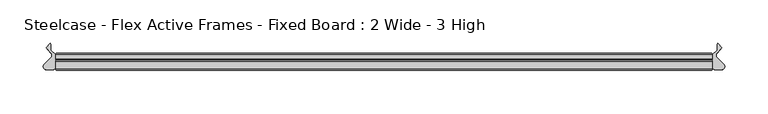
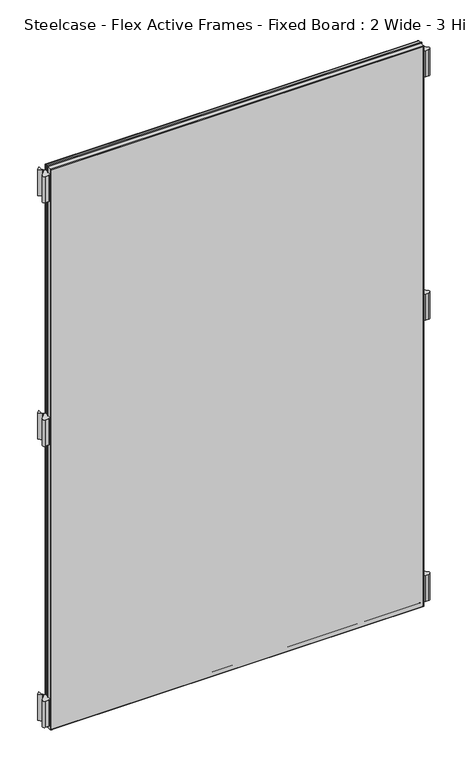
"""IFC4 building model written with IfcOpenShell, lengths in millimetres: furniture geometry, Steelcase - Flex Active Frames - Fixed Board : 2 Wide - 3 High."""

from ifc_helpers import new_model, si_unit, point, frame, frame_2d, origin, place, context, project, spatial, polyline, circle_curve, ellipse_curve, trimmed, segment, composite_curve, outline, extrude, source, transform, mapped, element, save
from ifc_brep_helpers import plane_surface, cylinder_surface, advanced_brep


def steelcase_flex_active_frames_fixed_board_2_wide_3_high_8049f52c(model_context):
    return source(origin(), model_context, "Body", "SolidModel", [
        extrude(outline(composite_curve([segment(trimmed(circle_curve(frame_2d((766.2196763, -15.2513959)), 3.81), [point((768.9118703, -12.5554375))], [point((766.2196713, -19.0613959))], False, "CARTESIAN"), True, "CONTINUOUS"), segment(polyline([(766.2196713, -19.0613959), (759.713995, -19.0613873)]), True, "CONTINUOUS"), segment(trimmed(circle_curve(frame_2d((759.714, -15.2513873)), 3.81), [point((759.713995, -19.0613873))], [point((755.904, -15.2513873))], False, "CARTESIAN"), True, "CONTINUOUS"), segment(polyline([(755.904, -15.2513873), (755.904, -2.0686095), (761.4063592, 3.4250486), (761.4063592, 10.299411), (762.1123238, 11.2027231), (767.0660919, 6.2470172), (761.3290632, 0.3149559)]), True, "CONTINUOUS"), segment(trimmed(circle_curve(frame_2d((764.0677853, -2.3337233)), 3.81), [point((761.3290632, 0.3149559))], [point((761.3755914, -5.0296817))], True, "CARTESIAN"), True, "CONTINUOUS"), segment(polyline([(761.3755914, -5.0296817), (768.9118703, -12.5554375)]), True, "CONTINUOUS")], self_intersect=False)), frame((0.0, 0.0, 611.4997871), z_axis=(0.0, 0.0, 1.0), x_axis=(1.0, 0.0, 0.0)), (0.0, 0.0, 1.0), 55.9983261),
        extrude(outline(composite_curve([segment(trimmed(circle_curve(frame_2d((766.2196763, -15.2513959)), 3.81), [point((768.9118703, -12.5554375))], [point((766.2196713, -19.0613959))], False, "CARTESIAN"), True, "CONTINUOUS"), segment(polyline([(766.2196713, -19.0613959), (759.713995, -19.0613873)]), True, "CONTINUOUS"), segment(trimmed(circle_curve(frame_2d((759.714, -15.2513873)), 3.81), [point((759.713995, -19.0613873))], [point((755.904, -15.2513873))], False, "CARTESIAN"), True, "CONTINUOUS"), segment(polyline([(755.904, -15.2513873), (755.904, -2.0686095), (761.4063592, 3.4250486), (761.4063592, 10.299411), (762.1123238, 11.2027231), (767.0660919, 6.2470172), (761.3290632, 0.3149559)]), True, "CONTINUOUS"), segment(trimmed(circle_curve(frame_2d((764.0677853, -2.3337233)), 3.81), [point((761.3290632, 0.3149559))], [point((761.3755914, -5.0296817))], True, "CARTESIAN"), True, "CONTINUOUS"), segment(polyline([(761.3755914, -5.0296817), (768.9118703, -12.5554375)]), True, "CONTINUOUS")], self_intersect=False)), frame((0.0, 0.0, 9.5000015), z_axis=(0.0, 0.0, 1.0), x_axis=(1.0, 0.0, 0.0)), (0.0, 0.0, 1.0), 55.9983261),
        extrude(outline(composite_curve([segment(trimmed(circle_curve(frame_2d((766.2196763, -15.2513959)), 3.81), [point((768.9118703, -12.5554375))], [point((766.2196713, -19.0613959))], False, "CARTESIAN"), True, "CONTINUOUS"), segment(polyline([(766.2196713, -19.0613959), (759.713995, -19.0613873)]), True, "CONTINUOUS"), segment(trimmed(circle_curve(frame_2d((759.714, -15.2513873)), 3.81), [point((759.713995, -19.0613873))], [point((755.904, -15.2513873))], False, "CARTESIAN"), True, "CONTINUOUS"), segment(polyline([(755.904, -15.2513873), (755.904, -2.0686095), (761.4063592, 3.4250486), (761.4063592, 10.299411), (762.1123238, 11.2027231), (767.0660919, 6.2470172), (761.3290632, 0.3149559)]), True, "CONTINUOUS"), segment(trimmed(circle_curve(frame_2d((764.0677853, -2.3337233)), 3.81), [point((761.3290632, 0.3149559))], [point((761.3755914, -5.0296817))], True, "CARTESIAN"), True, "CONTINUOUS"), segment(polyline([(761.3755914, -5.0296817), (768.9118703, -12.5554375)]), True, "CONTINUOUS")], self_intersect=False)), frame((0.0, 0.0, 1132.5016098), z_axis=(0.0, 0.0, 1.0), x_axis=(1.0, 0.0, 0.0)), (0.0, 0.0, 1.0), 55.9983261),
        extrude(outline(composite_curve([segment(polyline([(-13.0078703, -12.5554375), (-5.4715914, -5.0296817)]), True, "CONTINUOUS"), segment(trimmed(circle_curve(frame_2d((-8.1637853, -2.3337233)), 3.81), [point((-5.4715914, -5.0296817))], [point((-5.4250632, 0.3149559))], True, "CARTESIAN"), True, "CONTINUOUS"), segment(polyline([(-5.4250632, 0.3149559), (-11.1620919, 6.2470172), (-6.2083238, 11.2027231), (-5.5023592, 10.299411), (-5.5023592, 3.4250486), (0.0, -2.0686095), (0.0, -15.2513873)]), True, "CONTINUOUS"), segment(trimmed(circle_curve(frame_2d((-3.81, -15.2513873)), 3.81), [point((0.0, -15.2513873))], [point((-3.809995, -19.0613873))], False, "CARTESIAN"), True, "CONTINUOUS"), segment(polyline([(-3.809995, -19.0613873), (-10.3156713, -19.0613959)]), True, "CONTINUOUS"), segment(trimmed(circle_curve(frame_2d((-10.3156763, -15.2513959)), 3.81), [point((-10.3156713, -19.0613959))], [point((-13.0078703, -12.5554375))], False, "CARTESIAN"), True, "CONTINUOUS")], self_intersect=False)), frame((0.0, 0.0, 611.4997871), z_axis=(0.0, 0.0, 1.0), x_axis=(1.0, 0.0, 0.0)), (0.0, 0.0, 1.0), 55.9983261),
        extrude(outline(composite_curve([segment(polyline([(-13.0078703, -12.5554375), (-5.4715914, -5.0296817)]), True, "CONTINUOUS"), segment(trimmed(circle_curve(frame_2d((-8.1637853, -2.3337233)), 3.81), [point((-5.4715914, -5.0296817))], [point((-5.4250632, 0.3149559))], True, "CARTESIAN"), True, "CONTINUOUS"), segment(polyline([(-5.4250632, 0.3149559), (-11.1620919, 6.2470172), (-6.2083238, 11.2027231), (-5.5023592, 10.299411), (-5.5023592, 3.4250486), (0.0, -2.0686095), (0.0, -15.2513873)]), True, "CONTINUOUS"), segment(trimmed(circle_curve(frame_2d((-3.81, -15.2513873)), 3.81), [point((0.0, -15.2513873))], [point((-3.809995, -19.0613873))], False, "CARTESIAN"), True, "CONTINUOUS"), segment(polyline([(-3.809995, -19.0613873), (-10.3156713, -19.0613959)]), True, "CONTINUOUS"), segment(trimmed(circle_curve(frame_2d((-10.3156763, -15.2513959)), 3.81), [point((-10.3156713, -19.0613959))], [point((-13.0078703, -12.5554375))], False, "CARTESIAN"), True, "CONTINUOUS")], self_intersect=False)), frame((0.0, 0.0, 9.5000015), z_axis=(0.0, 0.0, 1.0), x_axis=(1.0, 0.0, 0.0)), (0.0, 0.0, 1.0), 55.9983261),
        extrude(outline(composite_curve([segment(polyline([(-13.0078703, -12.5554375), (-5.4715914, -5.0296817)]), True, "CONTINUOUS"), segment(trimmed(circle_curve(frame_2d((-8.1637853, -2.3337233)), 3.81), [point((-5.4715914, -5.0296817))], [point((-5.4250632, 0.3149559))], True, "CARTESIAN"), True, "CONTINUOUS"), segment(polyline([(-5.4250632, 0.3149559), (-11.1620919, 6.2470172), (-6.2083238, 11.2027231), (-5.5023592, 10.299411), (-5.5023592, 3.4250486), (0.0, -2.0686095), (0.0, -15.2513873)]), True, "CONTINUOUS"), segment(trimmed(circle_curve(frame_2d((-3.81, -15.2513873)), 3.81), [point((0.0, -15.2513873))], [point((-3.809995, -19.0613873))], False, "CARTESIAN"), True, "CONTINUOUS"), segment(polyline([(-3.809995, -19.0613873), (-10.3156713, -19.0613959)]), True, "CONTINUOUS"), segment(trimmed(circle_curve(frame_2d((-10.3156763, -15.2513959)), 3.81), [point((-10.3156713, -19.0613959))], [point((-13.0078703, -12.5554375))], False, "CARTESIAN"), True, "CONTINUOUS")], self_intersect=False)), frame((0.0, 0.0, 1132.5016098), z_axis=(0.0, 0.0, 1.0), x_axis=(1.0, 0.0, 0.0)), (0.0, 0.0, 1.0), 55.9983261),
        extrude(outline(polyline([(754.4039947, -19.7016999), (1.5000053, -19.7016999), (1.5000053, -8.0000171), (754.4039947, -8.0000171), (754.4039947, -19.7016999)])), frame((0.0, 0.0, 1.5000053), z_axis=(0.0, 0.0, 1.0), x_axis=(1.0, 0.0, 0.0)), (0.0, 0.0, 1.0), 1196.9999985),
        advanced_brep(
        [(0.0, -9.5000224, 1200.0000092), (1.5000053, -8.0000171, 1198.5000038), (1.5000053, -8.0000171, 1.5000053), (0.0, -9.5000224, 0.0), (0.0, -18.2016946, 1200.0000092), (0.0, -18.2016946, 0.0), (1.5000053, -19.7016999, 1198.5000038), (1.5000053, -19.7016999, 1.5000053), (754.4039947, -8.0000171, 1.5000053), (755.904, -9.5000224, 0.0), (755.904, -18.2016946, 0.0), (754.4039947, -19.7016999, 1.5000053), (754.4039947, -8.0000171, 1198.5000038), (755.904, -9.5000224, 1200.0000092), (755.904, -18.2016946, 1200.0000092), (754.4039947, -19.7016999, 1198.5000038)],
        [
            (0, 1, ellipse_curve(frame((1.5000053, -9.5000224, 1198.5000038), z_axis=(-0.7071067811865475, 0.0, -0.7071067811865475), x_axis=(-0.7071067811865474, 0.0, 0.7071067811865476)), 2.1213279, 1.5000053)),
            (1, 2),
            (2, 3, ellipse_curve(frame((1.5000053, -9.5000224, 1.5000053), z_axis=(-0.7071067811865475, 0.0, 0.7071067811865475), x_axis=(0.7071067811865474, 0.0, 0.7071067811865476)), 2.1213279, 1.5000053)),
            (3, 0),
            (4, 0),
            (3, 5),
            (5, 4),
            (1, 6),
            (6, 7),
            (7, 2),
            (2, 8),
            (8, 9, ellipse_curve(frame((754.4039947, -9.5000224, 1.5000053), z_axis=(-0.7071067811865475, 0.0, -0.7071067811865475), x_axis=(-0.7071067811865476, 0.0, 0.7071067811865474)), 2.1213279, 1.5000053)),
            (9, 3),
            (9, 10),
            (10, 5),
            (7, 11),
            (11, 8),
            (8, 12),
            (12, 13, ellipse_curve(frame((754.4039947, -9.5000224, 1198.5000038), z_axis=(0.7071067811865475, 0.0, -0.7071067811865475), x_axis=(-0.7071067811865474, 0.0, -0.7071067811865476)), 2.1213279, 1.5000053)),
            (13, 9),
            (13, 14),
            (14, 10),
            (11, 15),
            (15, 12),
            (12, 1),
            (0, 13),
            (4, 14),
            (15, 6),
            (6, 4, ellipse_curve(frame((1.5000053, -18.2016946, 1198.5000038), z_axis=(-0.7071067811865475, 0.0, -0.7071067811865475), x_axis=(-0.7071067811865474, 0.0, 0.7071067811865476)), 2.1213279, 1.5000053)),
            (5, 7, ellipse_curve(frame((1.5000053, -18.2016946, 1.5000053), z_axis=(-0.7071067811865475, 0.0, 0.7071067811865475), x_axis=(0.7071067811865474, 0.0, 0.7071067811865476)), 2.1213279, 1.5000053)),
            (10, 11, ellipse_curve(frame((754.4039947, -18.2016946, 1.5000053), z_axis=(-0.7071067811865475, 0.0, -0.7071067811865475), x_axis=(-0.7071067811865476, 0.0, 0.7071067811865474)), 2.1213279, 1.5000053)),
            (14, 15, ellipse_curve(frame((754.4039947, -18.2016946, 1198.5000038), z_axis=(0.7071067811865475, 0.0, -0.7071067811865475), x_axis=(-0.7071067811865474, 0.0, -0.7071067811865476)), 2.1213279, 1.5000053)),
        ],
        [
            cylinder_surface(frame((1.5000053, -9.5000224, 1200.0000092), z_axis=(0.0, 0.0, 1.0), x_axis=(1.0, 0.0, 0.0)), 1.5000053),
            plane_surface(frame((0.0, -9.5000224, 1200.0000092), z_axis=(-1.0, 0.0, 0.0), x_axis=(0.0, 0.0, -1.0))),
            plane_surface(frame((1.5000053, -19.7016999, 1198.5000038), z_axis=(1.0, 0.0, 0.0), x_axis=(0.0, 0.0, -1.0))),
            cylinder_surface(frame((0.0, -9.5000224, 1.5000053), z_axis=(-1.0, 0.0, 0.0), x_axis=(0.0, 0.0, 1.0)), 1.5000053),
            plane_surface(frame((0.0, -9.5000224, 0.0), z_axis=(0.0, 0.0, -1.0), x_axis=(1.0, 0.0, 0.0))),
            plane_surface(frame((1.5000053, -19.7016999, 1.5000053), z_axis=(0.0, 0.0, 1.0), x_axis=(1.0, 0.0, 0.0))),
            cylinder_surface(frame((754.4039947, -9.5000224, 0.0), z_axis=(0.0, 0.0, -1.0), x_axis=(-1.0, 0.0, 0.0)), 1.5000053),
            plane_surface(frame((755.904, -9.5000224, 0.0), z_axis=(1.0, 0.0, 0.0), x_axis=(0.0, 0.0, 1.0))),
            plane_surface(frame((754.4039947, -19.7016999, 1.5000053), z_axis=(-1.0, 0.0, 0.0), x_axis=(0.0, 0.0, 1.0))),
            cylinder_surface(frame((755.904, -9.5000224, 1198.5000038), z_axis=(1.0, 0.0, 0.0), x_axis=(0.0, 0.0, -1.0)), 1.5000053),
            plane_surface(frame((755.904, -9.5000224, 1200.0000092), z_axis=(0.0, 0.0, 1.0), x_axis=(-1.0, 0.0, 0.0))),
            plane_surface(frame((754.4039947, -19.7016999, 1198.5000038), z_axis=(0.0, 0.0, -1.0), x_axis=(-1.0, 0.0, 0.0))),
            cylinder_surface(frame((1.5000053, -18.2016946, 1200.0000092), z_axis=(0.0, 0.0, 1.0), x_axis=(1.0, 0.0, 0.0)), 1.5000053),
            cylinder_surface(frame((0.0, -18.2016946, 1.5000053), z_axis=(-1.0, 0.0, 0.0), x_axis=(0.0, 0.0, 1.0)), 1.5000053),
            cylinder_surface(frame((754.4039947, -18.2016946, 0.0), z_axis=(0.0, 0.0, -1.0), x_axis=(-1.0, 0.0, 0.0)), 1.5000053),
            cylinder_surface(frame((755.904, -18.2016946, 1198.5000038), z_axis=(1.0, 0.0, 0.0), x_axis=(0.0, 0.0, -1.0)), 1.5000053),
        ],
        [
            (0, [[1, 2, 3, 4]]),
            (1, [[5, -4, 6, 7]]),
            (2, [[8, 9, 10, -2]]),
            (3, [[-3, 11, 12, 13]]),
            (4, [[-6, -13, 14, 15]]),
            (5, [[-10, 16, 17, -11]]),
            (6, [[-12, 18, 19, 20]]),
            (7, [[-14, -20, 21, 22]]),
            (8, [[-17, 23, 24, -18]]),
            (9, [[-19, 25, -1, 26]]),
            (10, [[-21, -26, -5, 27]]),
            (11, [[-24, 28, -8, -25]]),
            (12, [[29, -7, 30, -9]]),
            (13, [[-30, -15, 31, -16]]),
            (14, [[-31, -22, 32, -23]]),
            (15, [[-32, -27, -29, -28]]),
        ],
    ),
        extrude(outline(polyline([(754.4039947, -8.0000171), (1.5000053, -8.0000171), (1.5000053, 0.0), (754.4039947, 0.0), (754.4039947, -8.0000171)])), frame((0.0, 0.0, 1.5000053), z_axis=(0.0, 0.0, 1.0), x_axis=(1.0, 0.0, 0.0)), (0.0, 0.0, 1.0), 1196.9999985),
        advanced_brep(
        [(0.0, -1.5000053, 1200.0000092), (1.5000053, 0.0, 1198.5000038), (1.5000053, 0.0, 1.5000053), (0.0, -1.5000053, 0.0), (0.0, -6.5000117, 1200.0000092), (0.0, -6.5000117, 0.0), (1.5000053, -8.0000171, 1198.5000038), (1.5000053, -8.0000171, 1.5000053), (754.4039947, 0.0, 1.5000053), (755.904, -1.5000053, 0.0), (755.904, -6.5000117, 0.0), (754.4039947, -8.0000171, 1.5000053), (754.4039947, 0.0, 1198.5000038), (755.904, -1.5000053, 1200.0000092), (755.904, -6.5000117, 1200.0000092), (754.4039947, -8.0000171, 1198.5000038)],
        [
            (0, 1, ellipse_curve(frame((1.5000053, -1.5000053, 1198.5000038), z_axis=(-0.7071067811865475, 0.0, -0.7071067811865475), x_axis=(-0.7071067811865474, 0.0, 0.7071067811865476)), 2.1213279, 1.5000053)),
            (1, 2),
            (2, 3, ellipse_curve(frame((1.5000053, -1.5000053, 1.5000053), z_axis=(-0.7071067811865475, 0.0, 0.7071067811865475), x_axis=(0.7071067811865474, 0.0, 0.7071067811865476)), 2.1213279, 1.5000053)),
            (3, 0),
            (4, 0),
            (3, 5),
            (5, 4),
            (6, 4, ellipse_curve(frame((1.5000053, -6.5000117, 1198.5000038), z_axis=(-0.7071067811865475, 0.0, -0.7071067811865475), x_axis=(-0.7071067811865474, 0.0, 0.7071067811865476)), 2.1213279, 1.5000053)),
            (5, 7, ellipse_curve(frame((1.5000053, -6.5000117, 1.5000053), z_axis=(-0.7071067811865475, 0.0, 0.7071067811865475), x_axis=(0.7071067811865474, 0.0, 0.7071067811865476)), 2.1213279, 1.5000053)),
            (7, 6),
            (1, 6),
            (7, 2),
            (2, 8),
            (8, 9, ellipse_curve(frame((754.4039947, -1.5000053, 1.5000053), z_axis=(-0.7071067811865475, 0.0, -0.7071067811865475), x_axis=(-0.7071067811865476, 0.0, 0.7071067811865474)), 2.1213279, 1.5000053)),
            (9, 3),
            (9, 10),
            (10, 5),
            (10, 11, ellipse_curve(frame((754.4039947, -6.5000117, 1.5000053), z_axis=(-0.7071067811865475, 0.0, -0.7071067811865475), x_axis=(-0.7071067811865476, 0.0, 0.7071067811865474)), 2.1213279, 1.5000053)),
            (11, 7),
            (11, 8),
            (8, 12),
            (12, 13, ellipse_curve(frame((754.4039947, -1.5000053, 1198.5000038), z_axis=(0.7071067811865475, 0.0, -0.7071067811865475), x_axis=(-0.7071067811865474, 0.0, -0.7071067811865476)), 2.1213279, 1.5000053)),
            (13, 9),
            (13, 14),
            (14, 10),
            (14, 15, ellipse_curve(frame((754.4039947, -6.5000117, 1198.5000038), z_axis=(0.7071067811865475, 0.0, -0.7071067811865475), x_axis=(-0.7071067811865474, 0.0, -0.7071067811865476)), 2.1213279, 1.5000053)),
            (15, 11),
            (15, 12),
            (12, 1),
            (0, 13),
            (4, 14),
            (6, 15),
        ],
        [
            cylinder_surface(frame((1.5000053, -1.5000053, 1200.0000092), z_axis=(0.0, 0.0, 1.0), x_axis=(1.0, 0.0, 0.0)), 1.5000053),
            plane_surface(frame((0.0, -1.5000053, 1200.0000092), z_axis=(-1.0, 0.0, 0.0), x_axis=(0.0, 0.0, -1.0))),
            cylinder_surface(frame((1.5000053, -6.5000117, 1200.0000092), z_axis=(0.0, 0.0, 1.0), x_axis=(1.0, 0.0, 0.0)), 1.5000053),
            plane_surface(frame((1.5000053, -8.0000171, 1198.5000038), z_axis=(1.0, 0.0, 0.0), x_axis=(0.0, 0.0, -1.0))),
            cylinder_surface(frame((0.0, -1.5000053, 1.5000053), z_axis=(-1.0, 0.0, 0.0), x_axis=(0.0, 0.0, 1.0)), 1.5000053),
            plane_surface(frame((0.0, -1.5000053, 0.0), z_axis=(0.0, 0.0, -1.0), x_axis=(1.0, 0.0, 0.0))),
            cylinder_surface(frame((0.0, -6.5000117, 1.5000053), z_axis=(-1.0, 0.0, 0.0), x_axis=(0.0, 0.0, 1.0)), 1.5000053),
            plane_surface(frame((1.5000053, -8.0000171, 1.5000053), z_axis=(0.0, 0.0, 1.0), x_axis=(1.0, 0.0, 0.0))),
            cylinder_surface(frame((754.4039947, -1.5000053, 0.0), z_axis=(0.0, 0.0, -1.0), x_axis=(-1.0, 0.0, 0.0)), 1.5000053),
            plane_surface(frame((755.904, -1.5000053, 0.0), z_axis=(1.0, 0.0, 0.0), x_axis=(0.0, 0.0, 1.0))),
            cylinder_surface(frame((754.4039947, -6.5000117, 0.0), z_axis=(0.0, 0.0, -1.0), x_axis=(-1.0, 0.0, 0.0)), 1.5000053),
            plane_surface(frame((754.4039947, -8.0000171, 1.5000053), z_axis=(-1.0, 0.0, 0.0), x_axis=(0.0, 0.0, 1.0))),
            cylinder_surface(frame((755.904, -1.5000053, 1198.5000038), z_axis=(1.0, 0.0, 0.0), x_axis=(0.0, 0.0, -1.0)), 1.5000053),
            plane_surface(frame((755.904, -1.5000053, 1200.0000092), z_axis=(0.0, 0.0, 1.0), x_axis=(-1.0, 0.0, 0.0))),
            cylinder_surface(frame((755.904, -6.5000117, 1198.5000038), z_axis=(1.0, 0.0, 0.0), x_axis=(0.0, 0.0, -1.0)), 1.5000053),
            plane_surface(frame((754.4039947, -8.0000171, 1198.5000038), z_axis=(0.0, 0.0, -1.0), x_axis=(-1.0, 0.0, 0.0))),
        ],
        [
            (0, [[1, 2, 3, 4]]),
            (1, [[5, -4, 6, 7]]),
            (2, [[8, -7, 9, 10]]),
            (3, [[11, -10, 12, -2]]),
            (4, [[-3, 13, 14, 15]]),
            (5, [[-6, -15, 16, 17]]),
            (6, [[-9, -17, 18, 19]]),
            (7, [[-12, -19, 20, -13]]),
            (8, [[-14, 21, 22, 23]]),
            (9, [[-16, -23, 24, 25]]),
            (10, [[-18, -25, 26, 27]]),
            (11, [[-20, -27, 28, -21]]),
            (12, [[-22, 29, -1, 30]]),
            (13, [[-24, -30, -5, 31]]),
            (14, [[-26, -31, -8, 32]]),
            (15, [[-28, -32, -11, -29]]),
        ],
    ),
    ])


if __name__ == "__main__":
    model = new_model("IFC4")
    model_context = context("Model", 3, world=origin())
    ifc_project = project(units=[si_unit("LENGTHUNIT", "METRE", prefix="MILLI")], contexts=[model_context])
    site = spatial("IfcSite", under=ifc_project)
    building = spatial("IfcBuilding", under=site)
    placement = place(None, origin())
    steelcase_flex_active_frames_fixed_board_2_wide_3_high_shape = steelcase_flex_active_frames_fixed_board_2_wide_3_high_8049f52c(model_context)
    element("IfcFurniture", 1, ObjectType="Steelcase - Flex Active Frames - Fixed Board : 2 Wide - 3 High", at=placement, inside=building, context=model_context, shape_type="MappedRepresentation", body=[
        mapped(steelcase_flex_active_frames_fixed_board_2_wide_3_high_shape, transform((0.0, 0.0, 0.0), x_axis=(1.0, 0.0, 0.0), y_axis=(0.0, 1.0, 0.0), z_axis=(0.0, 0.0, 1.0))),
    ])
    save(model, "model.ifc")
